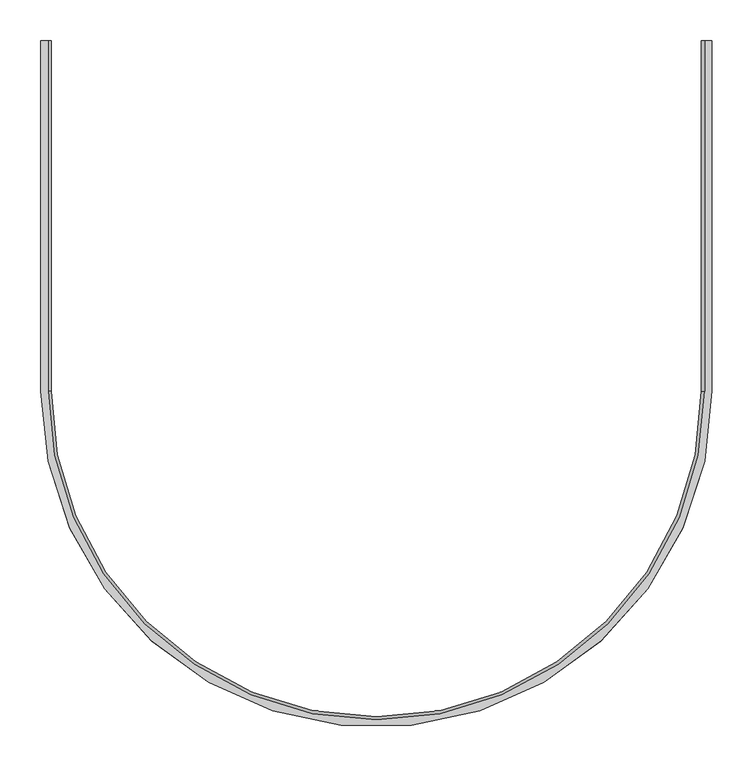
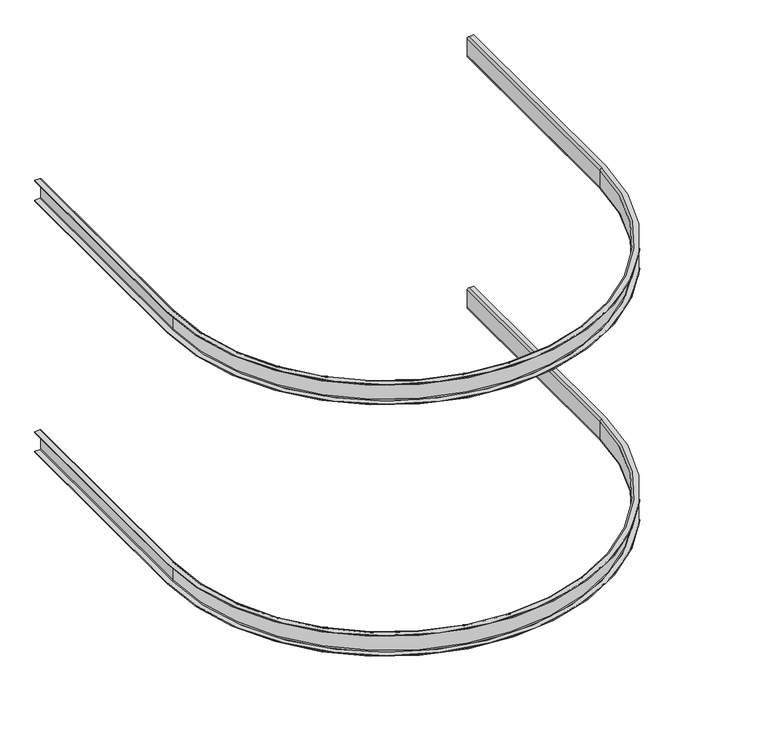
"""IFC4 building model written with IfcOpenShell, lengths in millimetres: proxy geometry."""

from ifc_helpers import new_model, si_unit, point, frame, origin, place, context, project, spatial, polyline, circle_curve, ellipse_curve, trimmed, source, transform, mapped, element, save
from ifc_brep_helpers import plane_surface, cylinder_surface, revolved_surface, advanced_brep


def generic_models_8134f477(model_context):
    return source(origin(), model_context, "Body", "AdvancedBrep", [
        advanced_brep(
        [(413.0816438, 0.0134846, 510.8128122), (413.0816438, 0.0134846, 508.9128122), (404.0048585, 0.0135409, 508.9128122), (400.2301169, 0.0135642, 512.6875539), (400.2301169, 0.0135642, 546.3487175), (403.9942116, 0.0135409, 550.1128122), (413.0816438, 0.0134846, 550.1128122), (413.0816438, 0.0134846, 548.2128122), (404.0152824, 0.0135408, 548.2128122), (402.1301169, 0.0135525, 546.3276467), (402.1301169, 0.0135525, 512.672999), (403.9903036, 0.0135409, 510.8128122), (413.0789731, -431.0893048, 510.8128122), (413.0789731, -431.0893048, 508.9128122), (-412.6203617, -431.0841896, 508.9128122), (-412.6176911, 0.0135999, 508.9128122), (-403.5409058, 0.0135436, 508.9128122), (-403.5435765, -431.0842458, 508.9128122), (404.0021878, -431.0892486, 508.9128122), (400.2274462, -431.0892252, 512.6875539), (400.2274462, -431.0892252, 546.3487175), (403.9915409, -431.0892485, 550.1128122), (-403.5329296, -431.0842458, 550.1128122), (-403.5302589, 0.0135436, 550.1128122), (-412.6176911, 0.0135999, 550.1128122), (-412.6203617, -431.0841896, 550.1128122), (413.0789731, -431.0893048, 550.1128122), (413.0789731, -431.0893048, 548.2128122), (-412.6203617, -431.0841896, 548.2128122), (-412.6176911, 0.0135999, 548.2128122), (-403.5513297, 0.0135437, 548.2128122), (-403.5540004, -431.0842457, 548.2128122), (404.0126117, -431.0892486, 548.2128122), (402.1274462, -431.0892369, 546.3276467), (402.1274462, -431.0892369, 512.672999), (403.9876329, -431.0892485, 510.8128122), (-403.5290216, -431.0842459, 510.8128122), (-403.5263509, 0.0135435, 510.8128122), (-412.6176911, 0.0135999, 510.8128122), (-412.6203617, -431.0841896, 510.8128122), (-399.7688348, -431.0842692, 512.6875539), (-399.7688348, -431.0842692, 546.3487175), (-401.6688348, -431.0842574, 546.3276467), (-401.6688348, -431.0842574, 512.672999), (-401.6661642, 0.013532, 512.672999), (-401.6661642, 0.013532, 546.3276467), (-399.7661642, 0.0135202, 546.3487175), (-399.7661642, 0.0135202, 512.6875539)],
        [
            (0, 1),
            (1, 2),
            (2, 3, circle_curve(frame((404.0048585, 0.0135409, 512.6875539), z_axis=(6.1950422018355295e-06, 0.9999999999808108, 0.0), x_axis=(-0.9999999999808108, 6.1950422018355295e-06, 0.0)), 3.7747416)),
            (3, 4),
            (4, 5, circle_curve(frame((403.9942116, 0.0135409, 546.3487175), z_axis=(6.1950422018355295e-06, 0.9999999999808108, 0.0), x_axis=(-0.9999999999808108, 6.1950422018355295e-06, 0.0)), 3.7640947)),
            (5, 6),
            (6, 7),
            (7, 8),
            (8, 9, circle_curve(frame((404.0152824, 0.0135408, 546.3276467), z_axis=(-6.1950422018355295e-06, -0.9999999999808108, 0.0), x_axis=(-0.9999999999808108, 6.1950422018355295e-06, 0.0)), 1.8851655)),
            (9, 10),
            (10, 11, circle_curve(frame((403.9903036, 0.0135409, 512.672999), z_axis=(-6.1950422018355295e-06, -0.9999999999808108, 0.0), x_axis=(-0.9999999999808108, 6.1950422018355295e-06, 0.0)), 1.8601867)),
            (11, 0),
            (0, 12),
            (12, 13),
            (13, 1),
            (13, 14, circle_curve(frame((0.2293057, -431.0867472, 508.9128122), z_axis=(0.0, 0.0, -1.0), x_axis=(0.9999999999808107, -6.1950422018791e-06, 0.0)), 412.8496674)),
            (14, 15),
            (15, 16),
            (16, 17),
            (17, 18, circle_curve(frame((0.2293057, -431.0867472, 508.9128122), z_axis=(0.0, 0.0, 1.0), x_axis=(0.9999999999808107, -6.1950422018791e-06, 0.0)), 403.7728821)),
            (18, 2),
            (18, 19, circle_curve(frame((404.0021878, -431.0892486, 512.6875539), z_axis=(6.1950422018355295e-06, 0.9999999999808108, 0.0), x_axis=(-0.9999999999808108, 6.1950422018355295e-06, 0.0)), 3.7747416)),
            (19, 3),
            (19, 20),
            (20, 4),
            (20, 21, circle_curve(frame((403.9915409, -431.0892485, 546.3487175), z_axis=(6.1950422018355295e-06, 0.9999999999808108, 0.0), x_axis=(-0.9999999999808108, 6.1950422018355295e-06, 0.0)), 3.7640947)),
            (21, 5),
            (21, 22, circle_curve(frame((0.2293057, -431.0867472, 550.1128122), z_axis=(0.0, 0.0, -1.0), x_axis=(0.9999999999808107, -6.1950422018791e-06, 0.0)), 403.7622352)),
            (22, 23),
            (23, 24),
            (24, 25),
            (25, 26, circle_curve(frame((0.2293057, -431.0867472, 550.1128122), z_axis=(0.0, 0.0, 1.0), x_axis=(0.9999999999808107, -6.1950422018791e-06, 0.0)), 412.8496674)),
            (26, 6),
            (26, 27),
            (27, 7),
            (27, 28, circle_curve(frame((0.2293057, -431.0867472, 548.2128122), z_axis=(0.0, 0.0, -1.0), x_axis=(0.9999999999808107, -6.1950422018791e-06, 0.0)), 412.8496674)),
            (28, 29),
            (29, 30),
            (30, 31),
            (31, 32, circle_curve(frame((0.2293057, -431.0867472, 548.2128122), z_axis=(0.0, 0.0, 1.0), x_axis=(0.9999999999808107, -6.1950422018791e-06, 0.0)), 403.783306)),
            (32, 8),
            (32, 33, circle_curve(frame((404.0126117, -431.0892486, 546.3276467), z_axis=(-6.1950422018355295e-06, -0.9999999999808108, 0.0), x_axis=(-0.9999999999808108, 6.1950422018355295e-06, 0.0)), 1.8851655)),
            (33, 9),
            (33, 34),
            (34, 10),
            (34, 35, circle_curve(frame((403.9876329, -431.0892485, 512.672999), z_axis=(-6.1950422018355295e-06, -0.9999999999808108, 0.0), x_axis=(-0.9999999999808108, 6.1950422018355295e-06, 0.0)), 1.8601867)),
            (35, 11),
            (35, 36, circle_curve(frame((0.2293057, -431.0867472, 510.8128122), z_axis=(0.0, 0.0, -1.0), x_axis=(0.9999999999808107, -6.1950422018791e-06, 0.0)), 403.7583272)),
            (36, 37),
            (37, 38),
            (38, 39),
            (39, 12, circle_curve(frame((0.2293057, -431.0867472, 510.8128122), z_axis=(0.0, 0.0, 1.0), x_axis=(0.9999999999808107, -6.1950422018791e-06, 0.0)), 412.8496674)),
            (39, 14),
            (40, 19, circle_curve(frame((0.2293057, -431.0867472, 512.6875539), z_axis=(0.0, 0.0, 1.0), x_axis=(0.9999999999808107, -6.1950422018791e-06, 0.0)), 399.9981405)),
            (17, 40, circle_curve(frame((-403.5435765, -431.0842458, 512.6875539), z_axis=(-6.195042195983474e-06, -0.9999999999808107, 0.0), x_axis=(0.9999999999808107, -6.195042195983474e-06, 0.0)), 3.7747416)),
            (41, 20, circle_curve(frame((0.2293057, -431.0867472, 546.3487175), z_axis=(0.0, 0.0, 1.0), x_axis=(0.9999999999808107, -6.1950422018791e-06, 0.0)), 399.9981405)),
            (40, 41),
            (41, 22, circle_curve(frame((-403.5329296, -431.0842458, 546.3487175), z_axis=(-6.195042195983474e-06, -0.9999999999808107, 0.0), x_axis=(0.9999999999808107, -6.195042195983474e-06, 0.0)), 3.7640947)),
            (25, 28),
            (42, 33, circle_curve(frame((0.2293057, -431.0867472, 546.3276467), z_axis=(0.0, 0.0, 1.0), x_axis=(0.9999999999808107, -6.1950422018791e-06, 0.0)), 401.8981405)),
            (31, 42, circle_curve(frame((-403.5540004, -431.0842457, 546.3276467), z_axis=(6.195042195983474e-06, 0.9999999999808107, 0.0), x_axis=(0.9999999999808107, -6.195042195983474e-06, 0.0)), 1.8851655)),
            (43, 34, circle_curve(frame((0.2293057, -431.0867472, 512.672999), z_axis=(0.0, 0.0, 1.0), x_axis=(0.9999999999808107, -6.1950422018791e-06, 0.0)), 401.8981405)),
            (42, 43),
            (43, 36, circle_curve(frame((-403.5290216, -431.0842459, 512.672999), z_axis=(6.195042195983474e-06, 0.9999999999808107, 0.0), x_axis=(0.9999999999808107, -6.195042195983474e-06, 0.0)), 1.8601867)),
            (37, 44, circle_curve(frame((-403.5263509, 0.0135435, 512.672999), z_axis=(-6.195042209213617e-06, -0.9999999999808108, 0.0), x_axis=(0.9999999999808108, -6.195042209213617e-06, 0.0)), 1.8601867)),
            (44, 45),
            (45, 30, circle_curve(frame((-403.5513297, 0.0135437, 546.3276467), z_axis=(-6.195042209213617e-06, -0.9999999999808108, 0.0), x_axis=(0.9999999999808108, -6.195042209213617e-06, 0.0)), 1.8851655)),
            (29, 24),
            (23, 46, circle_curve(frame((-403.5302589, 0.0135436, 546.3487175), z_axis=(6.195042209213617e-06, 0.9999999999808108, 0.0), x_axis=(0.9999999999808108, -6.195042209213617e-06, 0.0)), 3.7640947)),
            (46, 47),
            (47, 16, circle_curve(frame((-403.5409058, 0.0135436, 512.6875539), z_axis=(6.195042209213617e-06, 0.9999999999808108, 0.0), x_axis=(0.9999999999808108, -6.195042209213617e-06, 0.0)), 3.7747416)),
            (15, 38),
            (47, 40),
            (46, 41),
            (45, 42),
            (44, 43),
        ],
        [
            plane_surface(frame((400.2301169, 0.0135642, 508.9128122), z_axis=(6.19504220183553e-06, 0.9999999999808108, 0.0), x_axis=(0.0, 0.0, 1.0))),
            plane_surface(frame((413.0816438, 0.0134846, 510.8128122), z_axis=(0.9999999999808108, -6.19504220181695e-06, 0.0), x_axis=(-6.19504220181695e-06, -0.9999999999808108, 0.0))),
            plane_surface(frame((413.0816438, 0.0134846, 508.9128122), z_axis=(0.0, 0.0, -1.0000000000000002), x_axis=(-6.19504220181695e-06, -0.9999999999808108, 0.0))),
            cylinder_surface(frame((404.0048585, 0.0135409, 512.6875539), z_axis=(6.1950422018355295e-06, 0.9999999999808108, 0.0), x_axis=(-0.9999999999808108, 6.1950422018355295e-06, 0.0)), 3.7747416),
            plane_surface(frame((400.2301169, 0.0135642, 512.6875539), z_axis=(-0.9999999999808108, 6.19504220181695e-06, 0.0), x_axis=(-6.19504220181695e-06, -0.9999999999808108, 0.0))),
            cylinder_surface(frame((403.9942116, 0.0135409, 546.3487175), z_axis=(6.1950422018355295e-06, 0.9999999999808108, 0.0), x_axis=(-0.9999999999808108, 6.1950422018355295e-06, 0.0)), 3.7640947),
            plane_surface(frame((403.9942116, 0.0135409, 550.1128122), z_axis=(0.0, 0.0, 1.0000000000000002), x_axis=(-6.19504220181695e-06, -0.9999999999808108, 0.0))),
            plane_surface(frame((413.0816438, 0.0134846, 550.1128122), z_axis=(0.9999999999808108, -6.19504220181695e-06, 0.0), x_axis=(-6.19504220181695e-06, -0.9999999999808108, 0.0))),
            plane_surface(frame((413.0816438, 0.0134846, 548.2128122), z_axis=(0.0, 0.0, -1.0000000000000002), x_axis=(-6.19504220181695e-06, -0.9999999999808108, 0.0))),
            revolved_surface(polyline([(402.1274462000625, -431.08923692132015, 546.3276467), (402.1301169000363, 0.013552499999999777, 546.3276467)]), (404.0152824, 0.0135408, 546.3276467), (-6.1950422018355295e-06, -0.9999999999808108, 0.0)),
            plane_surface(frame((402.1301169, 0.0135525, 546.3276467), z_axis=(0.9999999999808108, -6.19504220181695e-06, 0.0), x_axis=(-6.19504220181695e-06, -0.9999999999808108, 0.0))),
            revolved_surface(polyline([(402.127446200062, -431.0892369760649, 512.672999), (402.13011690003617, 0.013552499999999777, 512.672999)]), (403.9903036, 0.0135409, 512.672999), (-6.1950422018355295e-06, -0.9999999999808108, 0.0)),
            plane_surface(frame((403.9903036, 0.0135409, 510.8128122), z_axis=(0.0, 0.0, 1.0000000000000002), x_axis=(-6.19504220181695e-06, -0.9999999999808108, 0.0))),
            cylinder_surface(frame((0.2293057, -431.0867472, 508.9128122), z_axis=(0.0, 0.0, -1.0), x_axis=(0.9999999999808107, -6.1950422018791e-06, 0.0)), 412.8496674),
            revolved_surface(trimmed(ellipse_curve(frame((404.0021878, -431.0892486, 512.6875539), z_axis=(6.195042201879098e-06, 0.9999999999808107, 0.0), x_axis=(-0.9999999999808107, 6.195042201879098e-06, 0.0)), 3.7747416, 3.7747416), [point((404.0021878, -431.0892486, 508.9128122))], [point((400.2274462, -431.0892252, 512.6875539))], True, "CARTESIAN"), (0.2293057, -431.0867472, 508.9128122), (0.0, 0.0, -1.0)),
            revolved_surface(polyline([(400.2274461923243, -431.08922520536106, 512.6875539), (400.2274461923243, -431.08922520536106, 546.3487175)]), (0.2293057, -431.0867472, 508.9128122), (0.0, 0.0, -1.0)),
            revolved_surface(trimmed(ellipse_curve(frame((403.9915409, -431.0892485, 546.3487175), z_axis=(6.195042201879098e-06, 0.9999999999808107, 0.0), x_axis=(-0.9999999999808107, 6.195042201879098e-06, 0.0)), 3.7640947, 3.7640947), [point((400.2274462, -431.0892252, 546.3487175))], [point((403.9915409, -431.0892485, 550.1128122))], True, "CARTESIAN"), (0.2293057, -431.0867472, 508.9128122), (0.0, 0.0, -1.0)),
            revolved_surface(trimmed(ellipse_curve(frame((404.0126117, -431.0892486, 546.3276467), z_axis=(-6.195042201879098e-06, -0.9999999999808107, 0.0), x_axis=(-0.9999999999808107, 6.195042201879098e-06, 0.0)), 1.8851655, 1.8851655), [point((404.0126117, -431.0892486, 548.2128122))], [point((402.1274462, -431.0892369, 546.3276467))], True, "CARTESIAN"), (0.2293057, -431.0867472, 508.9128122), (0.0, 0.0, -1.0)),
            cylinder_surface(frame((0.2293057, -431.0867472, 508.9128122), z_axis=(0.0, 0.0, -1.0), x_axis=(0.9999999999808107, -6.1950422018791e-06, 0.0)), 401.8981405),
            revolved_surface(trimmed(ellipse_curve(frame((403.9876329, -431.0892485, 512.672999), z_axis=(-6.195042201879098e-06, -0.9999999999808107, 0.0), x_axis=(-0.9999999999808107, 6.195042201879098e-06, 0.0)), 1.8601867, 1.8601867), [point((402.1274462, -431.0892369, 512.672999))], [point((403.9876329, -431.0892485, 510.8128122))], True, "CARTESIAN"), (0.2293057, -431.0867472, 508.9128122), (0.0, 0.0, -1.0)),
            plane_surface(frame((-399.7661642, 0.0135202, 508.9128122), z_axis=(6.1950422092136176e-06, 0.9999999999808108, 0.0), x_axis=(0.0, 0.0, 1.0))),
            plane_surface(frame((-412.6203617, -431.0841896, 510.8128122), z_axis=(-0.9999999999808108, 6.195042209195125e-06, 0.0), x_axis=(6.195042209195125e-06, 0.9999999999808108, 0.0))),
            cylinder_surface(frame((-403.5435765, -431.0842458, 512.6875539), z_axis=(-6.195042209213617e-06, -0.9999999999808108, 0.0), x_axis=(0.9999999999808108, -6.195042209213617e-06, 0.0)), 3.7747416),
            plane_surface(frame((-399.7688348, -431.0842692, 512.6875539), z_axis=(0.9999999999808108, -6.195042209195126e-06, 0.0), x_axis=(6.195042209195126e-06, 0.9999999999808108, 0.0))),
            cylinder_surface(frame((-403.5329296, -431.0842458, 546.3487175), z_axis=(-6.195042209213617e-06, -0.9999999999808108, 0.0), x_axis=(0.9999999999808108, -6.195042209213617e-06, 0.0)), 3.7640947),
            plane_surface(frame((-412.6203617, -431.0841896, 550.1128122), z_axis=(-0.9999999999808108, 6.195042209195125e-06, 0.0), x_axis=(6.195042209195125e-06, 0.9999999999808108, 0.0))),
            revolved_surface(polyline([(-401.6661642310345, 0.013532021320372678, 546.3276467), (-401.6688349000363, -431.08425739999944, 546.3276467)]), (-403.5540004, -431.0842457, 546.3276467), (6.195042209213617e-06, 0.9999999999808108, 0.0)),
            plane_surface(frame((-401.6688348, -431.0842574, 546.3276467), z_axis=(-0.9999999999808108, 6.195042209195126e-06, 0.0), x_axis=(6.195042209195126e-06, 0.9999999999808108, 0.0))),
            revolved_surface(polyline([(-401.6661642310339, 0.013532000000225253, 512.672999), (-401.66883490003573, -431.0842574239351, 512.672999)]), (-403.5290216, -431.0842459, 512.672999), (6.195042209213617e-06, 0.9999999999808108, 0.0)),
        ],
        [
            (0, [[1, 2, 3, 4, 5, 6, 7, 8, 9, 10, 11, 12]]),
            (1, [[-1, 13, 14, 15]]),
            (2, [[-2, -15, 16, 17, 18, 19, 20, 21]]),
            (3, [[-3, -21, 22, 23]]),
            (4, [[-4, -23, 24, 25]]),
            (5, [[-5, -25, 26, 27]]),
            (6, [[-6, -27, 28, 29, 30, 31, 32, 33]]),
            (7, [[-7, -33, 34, 35]]),
            (8, [[-8, -35, 36, 37, 38, 39, 40, 41]]),
            (9, [[-9, -41, 42, 43]]),
            (10, [[-10, -43, 44, 45]]),
            (11, [[-11, -45, 46, 47]]),
            (12, [[-12, -47, 48, 49, 50, 51, 52, -13]]),
            (13, [[-16, -14, -52, 53]]),
            (14, [[54, -22, -20, 55]]),
            (15, [[56, -24, -54, 57]]),
            (16, [[-28, -26, -56, 58]]),
            (13, [[-36, -34, -32, 59]]),
            (17, [[60, -42, -40, 61]]),
            (18, [[62, -44, -60, 63]]),
            (19, [[-48, -46, -62, 64]]),
            (20, [[-50, 65, 66, 67, -38, 68, -30, 69, 70, 71, -18, 72]]),
            (21, [[-53, -51, -72, -17]]),
            (22, [[-55, -19, -71, 73]]),
            (23, [[-57, -73, -70, 74]]),
            (24, [[-58, -74, -69, -29]]),
            (25, [[-59, -31, -68, -37]]),
            (26, [[-61, -39, -67, 75]]),
            (27, [[-63, -75, -66, 76]]),
            (28, [[-64, -76, -65, -49]]),
        ],
    ),
        advanced_brep(
        [(413.0816438, 0.0134846, 11.3128122), (413.0816438, 0.0134846, 9.4128122), (404.0048585, 0.0135409, 9.4128122), (400.2301169, 0.0135642, 13.1875539), (400.2301169, 0.0135642, 46.8487175), (403.9942116, 0.0135409, 50.6128122), (413.0816438, 0.0134846, 50.6128122), (413.0816438, 0.0134846, 48.7128122), (404.0152824, 0.0135408, 48.7128122), (402.1301169, 0.0135525, 46.8276467), (402.1301169, 0.0135525, 13.172999), (403.9903036, 0.0135409, 11.3128122), (413.0789731, -431.0893048, 11.3128122), (413.0789731, -431.0893048, 9.4128122), (-412.6203617, -431.0841896, 9.4128122), (-412.6176911, 0.0135999, 9.4128122), (-403.5409058, 0.0135436, 9.4128122), (-403.5435765, -431.0842458, 9.4128122), (404.0021878, -431.0892486, 9.4128122), (400.2274462, -431.0892252, 13.1875539), (400.2274462, -431.0892252, 46.8487175), (403.9915409, -431.0892485, 50.6128122), (-403.5329296, -431.0842458, 50.6128122), (-403.5302589, 0.0135436, 50.6128122), (-412.6176911, 0.0135999, 50.6128122), (-412.6203617, -431.0841896, 50.6128122), (413.0789731, -431.0893048, 50.6128122), (413.0789731, -431.0893048, 48.7128122), (-412.6203617, -431.0841896, 48.7128122), (-412.6176911, 0.0135999, 48.7128122), (-403.5513297, 0.0135437, 48.7128122), (-403.5540004, -431.0842457, 48.7128122), (404.0126117, -431.0892486, 48.7128122), (402.1274462, -431.0892369, 46.8276467), (402.1274462, -431.0892369, 13.172999), (403.9876329, -431.0892485, 11.3128122), (-403.5290216, -431.0842459, 11.3128122), (-403.5263509, 0.0135435, 11.3128122), (-412.6176911, 0.0135999, 11.3128122), (-412.6203617, -431.0841896, 11.3128122), (-399.7688348, -431.0842692, 13.1875539), (-399.7688348, -431.0842692, 46.8487175), (-401.6688348, -431.0842574, 46.8276467), (-401.6688348, -431.0842574, 13.172999), (-401.6661642, 0.013532, 13.172999), (-401.6661642, 0.013532, 46.8276467), (-399.7661642, 0.0135202, 46.8487175), (-399.7661642, 0.0135202, 13.1875539)],
        [
            (0, 1),
            (1, 2),
            (2, 3, circle_curve(frame((404.0048585, 0.0135409, 13.1875539), z_axis=(6.19504220183553e-06, 0.9999999999808108, 0.0), x_axis=(-0.9999999999808108, 6.19504220183553e-06, 0.0)), 3.7747416)),
            (3, 4),
            (4, 5, circle_curve(frame((403.9942116, 0.0135409, 46.8487175), z_axis=(6.19504220183553e-06, 0.9999999999808108, 0.0), x_axis=(-0.9999999999808108, 6.19504220183553e-06, 0.0)), 3.7640947)),
            (5, 6),
            (6, 7),
            (7, 8),
            (8, 9, circle_curve(frame((404.0152824, 0.0135408, 46.8276467), z_axis=(-6.19504220183553e-06, -0.9999999999808108, 0.0), x_axis=(-0.9999999999808108, 6.19504220183553e-06, 0.0)), 1.8851655)),
            (9, 10),
            (10, 11, circle_curve(frame((403.9903036, 0.0135409, 13.172999), z_axis=(-6.19504220183553e-06, -0.9999999999808108, 0.0), x_axis=(-0.9999999999808108, 6.19504220183553e-06, 0.0)), 1.8601867)),
            (11, 0),
            (0, 12),
            (12, 13),
            (13, 1),
            (13, 14, circle_curve(frame((0.2293057, -431.0867472, 9.4128122), z_axis=(0.0, 0.0, -1.0), x_axis=(0.9999999999808107, -6.195042201879101e-06, 0.0)), 412.8496674)),
            (14, 15),
            (15, 16),
            (16, 17),
            (17, 18, circle_curve(frame((0.2293057, -431.0867472, 9.4128122), z_axis=(0.0, 0.0, 1.0), x_axis=(0.9999999999808107, -6.195042201879101e-06, 0.0)), 403.7728821)),
            (18, 2),
            (18, 19, circle_curve(frame((404.0021878, -431.0892486, 13.1875539), z_axis=(6.19504220183553e-06, 0.9999999999808108, 0.0), x_axis=(-0.9999999999808108, 6.19504220183553e-06, 0.0)), 3.7747416)),
            (19, 3),
            (19, 20),
            (20, 4),
            (20, 21, circle_curve(frame((403.9915409, -431.0892485, 46.8487175), z_axis=(6.19504220183553e-06, 0.9999999999808108, 0.0), x_axis=(-0.9999999999808108, 6.19504220183553e-06, 0.0)), 3.7640947)),
            (21, 5),
            (21, 22, circle_curve(frame((0.2293057, -431.0867472, 50.6128122), z_axis=(0.0, 0.0, -1.0), x_axis=(0.9999999999808107, -6.195042201879101e-06, 0.0)), 403.7622352)),
            (22, 23),
            (23, 24),
            (24, 25),
            (25, 26, circle_curve(frame((0.2293057, -431.0867472, 50.6128122), z_axis=(0.0, 0.0, 1.0), x_axis=(0.9999999999808107, -6.195042201879101e-06, 0.0)), 412.8496674)),
            (26, 6),
            (26, 27),
            (27, 7),
            (27, 28, circle_curve(frame((0.2293057, -431.0867472, 48.7128122), z_axis=(0.0, 0.0, -1.0), x_axis=(0.9999999999808107, -6.195042201879101e-06, 0.0)), 412.8496674)),
            (28, 29),
            (29, 30),
            (30, 31),
            (31, 32, circle_curve(frame((0.2293057, -431.0867472, 48.7128122), z_axis=(0.0, 0.0, 1.0), x_axis=(0.9999999999808107, -6.195042201879101e-06, 0.0)), 403.783306)),
            (32, 8),
            (32, 33, circle_curve(frame((404.0126117, -431.0892486, 46.8276467), z_axis=(-6.19504220183553e-06, -0.9999999999808108, 0.0), x_axis=(-0.9999999999808108, 6.19504220183553e-06, 0.0)), 1.8851655)),
            (33, 9),
            (33, 34),
            (34, 10),
            (34, 35, circle_curve(frame((403.9876329, -431.0892485, 13.172999), z_axis=(-6.19504220183553e-06, -0.9999999999808108, 0.0), x_axis=(-0.9999999999808108, 6.19504220183553e-06, 0.0)), 1.8601867)),
            (35, 11),
            (35, 36, circle_curve(frame((0.2293057, -431.0867472, 11.3128122), z_axis=(0.0, 0.0, -1.0), x_axis=(0.9999999999808107, -6.195042201879101e-06, 0.0)), 403.7583272)),
            (36, 37),
            (37, 38),
            (38, 39),
            (39, 12, circle_curve(frame((0.2293057, -431.0867472, 11.3128122), z_axis=(0.0, 0.0, 1.0), x_axis=(0.9999999999808107, -6.195042201879101e-06, 0.0)), 412.8496674)),
            (39, 14),
            (40, 19, circle_curve(frame((0.2293057, -431.0867472, 13.1875539), z_axis=(0.0, 0.0, 1.0), x_axis=(0.9999999999808107, -6.195042201879101e-06, 0.0)), 399.9981405)),
            (17, 40, circle_curve(frame((-403.5435765, -431.0842458, 13.1875539), z_axis=(-6.195042195983476e-06, -0.9999999999808107, 0.0), x_axis=(0.9999999999808107, -6.195042195983476e-06, 0.0)), 3.7747416)),
            (41, 20, circle_curve(frame((0.2293057, -431.0867472, 46.8487175), z_axis=(0.0, 0.0, 1.0), x_axis=(0.9999999999808107, -6.195042201879101e-06, 0.0)), 399.9981405)),
            (40, 41),
            (41, 22, circle_curve(frame((-403.5329296, -431.0842458, 46.8487175), z_axis=(-6.195042195983476e-06, -0.9999999999808107, 0.0), x_axis=(0.9999999999808107, -6.195042195983476e-06, 0.0)), 3.7640947)),
            (25, 28),
            (42, 33, circle_curve(frame((0.2293057, -431.0867472, 46.8276467), z_axis=(0.0, 0.0, 1.0), x_axis=(0.9999999999808107, -6.195042201879101e-06, 0.0)), 401.8981405)),
            (31, 42, circle_curve(frame((-403.5540004, -431.0842457, 46.8276467), z_axis=(6.195042195983476e-06, 0.9999999999808107, 0.0), x_axis=(0.9999999999808107, -6.195042195983476e-06, 0.0)), 1.8851655)),
            (43, 34, circle_curve(frame((0.2293057, -431.0867472, 13.172999), z_axis=(0.0, 0.0, 1.0), x_axis=(0.9999999999808107, -6.195042201879101e-06, 0.0)), 401.8981405)),
            (42, 43),
            (43, 36, circle_curve(frame((-403.5290216, -431.0842459, 13.172999), z_axis=(6.195042195983476e-06, 0.9999999999808107, 0.0), x_axis=(0.9999999999808107, -6.195042195983476e-06, 0.0)), 1.8601867)),
            (37, 44, circle_curve(frame((-403.5263509, 0.0135435, 13.172999), z_axis=(-6.195042209213618e-06, -0.9999999999808108, 0.0), x_axis=(0.9999999999808108, -6.195042209213618e-06, 0.0)), 1.8601867)),
            (44, 45),
            (45, 30, circle_curve(frame((-403.5513297, 0.0135437, 46.8276467), z_axis=(-6.195042209213618e-06, -0.9999999999808108, 0.0), x_axis=(0.9999999999808108, -6.195042209213618e-06, 0.0)), 1.8851655)),
            (29, 24),
            (23, 46, circle_curve(frame((-403.5302589, 0.0135436, 46.8487175), z_axis=(6.195042209213618e-06, 0.9999999999808108, 0.0), x_axis=(0.9999999999808108, -6.195042209213618e-06, 0.0)), 3.7640947)),
            (46, 47),
            (47, 16, circle_curve(frame((-403.5409058, 0.0135436, 13.1875539), z_axis=(6.195042209213618e-06, 0.9999999999808108, 0.0), x_axis=(0.9999999999808108, -6.195042209213618e-06, 0.0)), 3.7747416)),
            (15, 38),
            (47, 40),
            (46, 41),
            (45, 42),
            (44, 43),
        ],
        [
            plane_surface(frame((400.2301169, 0.0135642, 9.4128122), z_axis=(6.195042201835531e-06, 0.9999999999808108, 0.0), x_axis=(0.0, 0.0, 1.0))),
            plane_surface(frame((413.0816438, 0.0134846, 11.3128122), z_axis=(0.9999999999808108, -6.19504220181695e-06, 0.0), x_axis=(-6.19504220181695e-06, -0.9999999999808108, 0.0))),
            plane_surface(frame((413.0816438, 0.0134846, 9.4128122), z_axis=(0.0, 0.0, -1.0000000000000002), x_axis=(-6.19504220181695e-06, -0.9999999999808108, 0.0))),
            cylinder_surface(frame((404.0048585, 0.0135409, 13.1875539), z_axis=(6.19504220183553e-06, 0.9999999999808108, 0.0), x_axis=(-0.9999999999808108, 6.19504220183553e-06, 0.0)), 3.7747416),
            plane_surface(frame((400.2301169, 0.0135642, 13.1875539), z_axis=(-0.9999999999808108, 6.19504220181695e-06, 0.0), x_axis=(-6.19504220181695e-06, -0.9999999999808108, 0.0))),
            cylinder_surface(frame((403.9942116, 0.0135409, 46.8487175), z_axis=(6.19504220183553e-06, 0.9999999999808108, 0.0), x_axis=(-0.9999999999808108, 6.19504220183553e-06, 0.0)), 3.7640947),
            plane_surface(frame((403.9942116, 0.0135409, 50.6128122), z_axis=(0.0, 0.0, 1.0000000000000002), x_axis=(-6.19504220181695e-06, -0.9999999999808108, 0.0))),
            plane_surface(frame((413.0816438, 0.0134846, 50.6128122), z_axis=(0.9999999999808108, -6.19504220181695e-06, 0.0), x_axis=(-6.19504220181695e-06, -0.9999999999808108, 0.0))),
            plane_surface(frame((413.0816438, 0.0134846, 48.7128122), z_axis=(0.0, 0.0, -1.0000000000000002), x_axis=(-6.19504220181695e-06, -0.9999999999808108, 0.0))),
            revolved_surface(polyline([(402.1274462000625, -431.08923692132015, 46.8276467), (402.1301169000363, 0.013552499999999777, 46.8276467)]), (404.0152824, 0.0135408, 46.8276467), (-6.19504220183553e-06, -0.9999999999808108, 0.0)),
            plane_surface(frame((402.1301169, 0.0135525, 46.8276467), z_axis=(0.9999999999808108, -6.19504220181695e-06, 0.0), x_axis=(-6.19504220181695e-06, -0.9999999999808108, 0.0))),
            revolved_surface(polyline([(402.127446200062, -431.0892369760649, 13.172999), (402.13011690003617, 0.013552499999999777, 13.172999)]), (403.9903036, 0.0135409, 13.172999), (-6.19504220183553e-06, -0.9999999999808108, 0.0)),
            plane_surface(frame((403.9903036, 0.0135409, 11.3128122), z_axis=(0.0, 0.0, 1.0000000000000002), x_axis=(-6.19504220181695e-06, -0.9999999999808108, 0.0))),
            cylinder_surface(frame((0.2293057, -431.0867472, 9.4128122), z_axis=(0.0, 0.0, -1.0), x_axis=(0.9999999999808107, -6.195042201879101e-06, 0.0)), 412.8496674),
            revolved_surface(trimmed(ellipse_curve(frame((404.0021878, -431.0892486, 13.1875539), z_axis=(6.195042201879101e-06, 0.9999999999808107, 0.0), x_axis=(-0.9999999999808107, 6.195042201879101e-06, 0.0)), 3.7747416, 3.7747416), [point((404.0021878, -431.0892486, 9.4128122))], [point((400.2274462, -431.0892252, 13.1875539))], True, "CARTESIAN"), (0.2293057, -431.0867472, 9.4128122), (0.0, 0.0, -1.0)),
            revolved_surface(polyline([(400.2274461923243, -431.08922520536106, 13.1875539), (400.2274461923243, -431.08922520536106, 46.8487175)]), (0.2293057, -431.0867472, 9.4128122), (0.0, 0.0, -1.0)),
            revolved_surface(trimmed(ellipse_curve(frame((403.9915409, -431.0892485, 46.8487175), z_axis=(6.195042201879101e-06, 0.9999999999808107, 0.0), x_axis=(-0.9999999999808107, 6.195042201879101e-06, 0.0)), 3.7640947, 3.7640947), [point((400.2274462, -431.0892252, 46.8487175))], [point((403.9915409, -431.0892485, 50.6128122))], True, "CARTESIAN"), (0.2293057, -431.0867472, 9.4128122), (0.0, 0.0, -1.0)),
            revolved_surface(trimmed(ellipse_curve(frame((404.0126117, -431.0892486, 46.8276467), z_axis=(-6.195042201879101e-06, -0.9999999999808107, 0.0), x_axis=(-0.9999999999808107, 6.195042201879101e-06, 0.0)), 1.8851655, 1.8851655), [point((404.0126117, -431.0892486, 48.7128122))], [point((402.1274462, -431.0892369, 46.8276467))], True, "CARTESIAN"), (0.2293057, -431.0867472, 9.4128122), (0.0, 0.0, -1.0)),
            cylinder_surface(frame((0.2293057, -431.0867472, 9.4128122), z_axis=(0.0, 0.0, -1.0), x_axis=(0.9999999999808107, -6.195042201879101e-06, 0.0)), 401.8981405),
            revolved_surface(trimmed(ellipse_curve(frame((403.9876329, -431.0892485, 13.172999), z_axis=(-6.195042201879101e-06, -0.9999999999808107, 0.0), x_axis=(-0.9999999999808107, 6.195042201879101e-06, 0.0)), 1.8601867, 1.8601867), [point((402.1274462, -431.0892369, 13.172999))], [point((403.9876329, -431.0892485, 11.3128122))], True, "CARTESIAN"), (0.2293057, -431.0867472, 9.4128122), (0.0, 0.0, -1.0)),
            plane_surface(frame((-399.7661642, 0.0135202, 9.4128122), z_axis=(6.1950422092136176e-06, 0.9999999999808108, 0.0), x_axis=(0.0, 0.0, 1.0))),
            plane_surface(frame((-412.6203617, -431.0841896, 11.3128122), z_axis=(-0.9999999999808108, 6.195042209195125e-06, 0.0), x_axis=(6.195042209195125e-06, 0.9999999999808108, 0.0))),
            cylinder_surface(frame((-403.5435765, -431.0842458, 13.1875539), z_axis=(-6.195042209213618e-06, -0.9999999999808108, 0.0), x_axis=(0.9999999999808108, -6.195042209213618e-06, 0.0)), 3.7747416),
            plane_surface(frame((-399.7688348, -431.0842692, 13.1875539), z_axis=(0.9999999999808108, -6.195042209195126e-06, 0.0), x_axis=(6.195042209195126e-06, 0.9999999999808108, 0.0))),
            cylinder_surface(frame((-403.5329296, -431.0842458, 46.8487175), z_axis=(-6.195042209213618e-06, -0.9999999999808108, 0.0), x_axis=(0.9999999999808108, -6.195042209213618e-06, 0.0)), 3.7640947),
            plane_surface(frame((-412.6203617, -431.0841896, 50.6128122), z_axis=(-0.9999999999808108, 6.195042209195125e-06, 0.0), x_axis=(6.195042209195125e-06, 0.9999999999808108, 0.0))),
            revolved_surface(polyline([(-401.6661642310345, 0.013532021320372678, 46.8276467), (-401.6688349000363, -431.08425739999944, 46.8276467)]), (-403.5540004, -431.0842457, 46.8276467), (6.195042209213618e-06, 0.9999999999808108, 0.0)),
            plane_surface(frame((-401.6688348, -431.0842574, 46.8276467), z_axis=(-0.9999999999808108, 6.195042209195126e-06, 0.0), x_axis=(6.195042209195126e-06, 0.9999999999808108, 0.0))),
            revolved_surface(polyline([(-401.6661642310339, 0.013532000000225253, 13.172999), (-401.66883490003573, -431.0842574239351, 13.172999)]), (-403.5290216, -431.0842459, 13.172999), (6.195042209213618e-06, 0.9999999999808108, 0.0)),
        ],
        [
            (0, [[1, 2, 3, 4, 5, 6, 7, 8, 9, 10, 11, 12]]),
            (1, [[-1, 13, 14, 15]]),
            (2, [[-2, -15, 16, 17, 18, 19, 20, 21]]),
            (3, [[-3, -21, 22, 23]]),
            (4, [[-4, -23, 24, 25]]),
            (5, [[-5, -25, 26, 27]]),
            (6, [[-6, -27, 28, 29, 30, 31, 32, 33]]),
            (7, [[-7, -33, 34, 35]]),
            (8, [[-8, -35, 36, 37, 38, 39, 40, 41]]),
            (9, [[-9, -41, 42, 43]]),
            (10, [[-10, -43, 44, 45]]),
            (11, [[-11, -45, 46, 47]]),
            (12, [[-12, -47, 48, 49, 50, 51, 52, -13]]),
            (13, [[-16, -14, -52, 53]]),
            (14, [[54, -22, -20, 55]]),
            (15, [[56, -24, -54, 57]]),
            (16, [[-28, -26, -56, 58]]),
            (13, [[-36, -34, -32, 59]]),
            (17, [[60, -42, -40, 61]]),
            (18, [[62, -44, -60, 63]]),
            (19, [[-48, -46, -62, 64]]),
            (20, [[-50, 65, 66, 67, -38, 68, -30, 69, 70, 71, -18, 72]]),
            (21, [[-53, -51, -72, -17]]),
            (22, [[-55, -19, -71, 73]]),
            (23, [[-57, -73, -70, 74]]),
            (24, [[-58, -74, -69, -29]]),
            (25, [[-59, -31, -68, -37]]),
            (26, [[-61, -39, -67, 75]]),
            (27, [[-63, -75, -66, 76]]),
            (28, [[-64, -76, -65, -49]]),
        ],
    ),
    ])


if __name__ == "__main__":
    model = new_model("IFC4")
    model_context = context("Model", 3, world=origin())
    ifc_project = project(units=[si_unit("LENGTHUNIT", "METRE", prefix="MILLI")], contexts=[model_context])
    site = spatial("IfcSite", under=ifc_project)
    building = spatial("IfcBuilding", under=site)
    placement = place(None, origin())
    generic_models_shape = generic_models_8134f477(model_context)
    element("IfcBuildingElementProxy", 1, Name="Generic Models", at=placement, inside=building, context=model_context, shape_type="MappedRepresentation", body=[
        mapped(generic_models_shape, transform((0.0, 0.0, 0.0), x_axis=(1.0, 0.0, 0.0), y_axis=(0.0, 1.0, 0.0), z_axis=(0.0, 0.0, 1.0))),
    ])
    save(model, "model.ifc")
